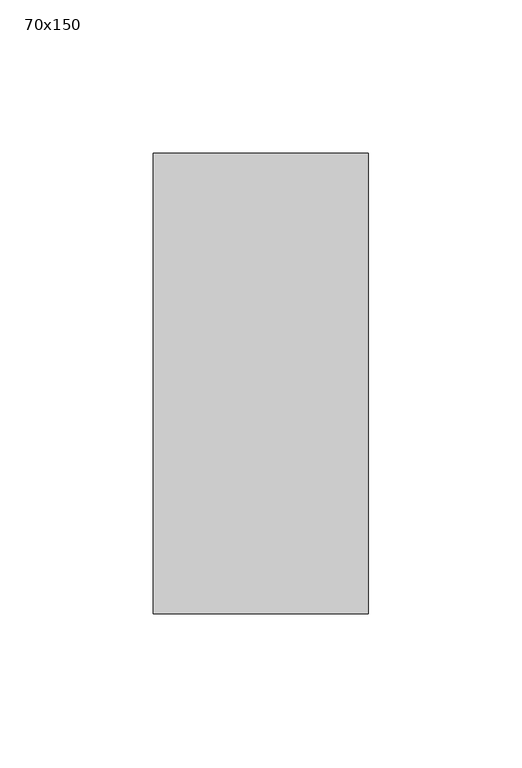
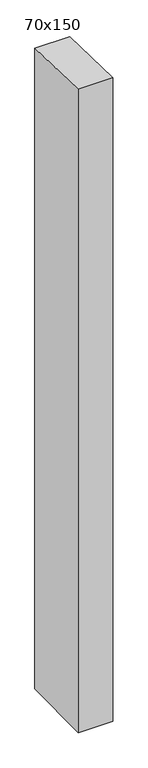
"""IFC4 building model written with IfcOpenShell, lengths in millimetres: member geometry, 70x150."""

from ifc_helpers import new_model, si_unit, frame, origin, place, context, project, spatial, polyline, outline, extrude, source, transform, mapped, element, save


def member_70x150_fbe85a50(model_context):
    return source(origin(), model_context, "Body", "SweptSolid", [
        extrude(outline(polyline([(-75.0, 1.8215042), (75.0, -1.8215042), (75.0, -1362.4610142), (-75.0, -1364.1392005), (-75.0, 1.8215042)])), frame((-70.0, 0.0, 0.0), z_axis=(1.0, 0.0, 0.0), x_axis=(0.0, 1.0, 0.0)), (0.0, 0.0, 1.0), 70.0),
    ])


if __name__ == "__main__":
    model = new_model("IFC4")
    model_context = context("Model", 3, world=origin())
    ifc_project = project(units=[si_unit("LENGTHUNIT", "METRE", prefix="MILLI")], contexts=[model_context])
    site = spatial("IfcSite", under=ifc_project)
    building = spatial("IfcBuilding", under=site)
    placement = place(None, origin())
    member_70x150_shape = member_70x150_fbe85a50(model_context)
    element("IfcMember", 1, ObjectType="70x150", at=placement, inside=building, context=model_context, shape_type="MappedRepresentation", body=[
        mapped(member_70x150_shape, transform((0.0, 0.0, 0.0), x_axis=(1.0, 0.0, 0.0), y_axis=(0.0, 1.0, 0.0), z_axis=(0.0, 0.0, 1.0))),
    ])
    save(model, "model.ifc")
